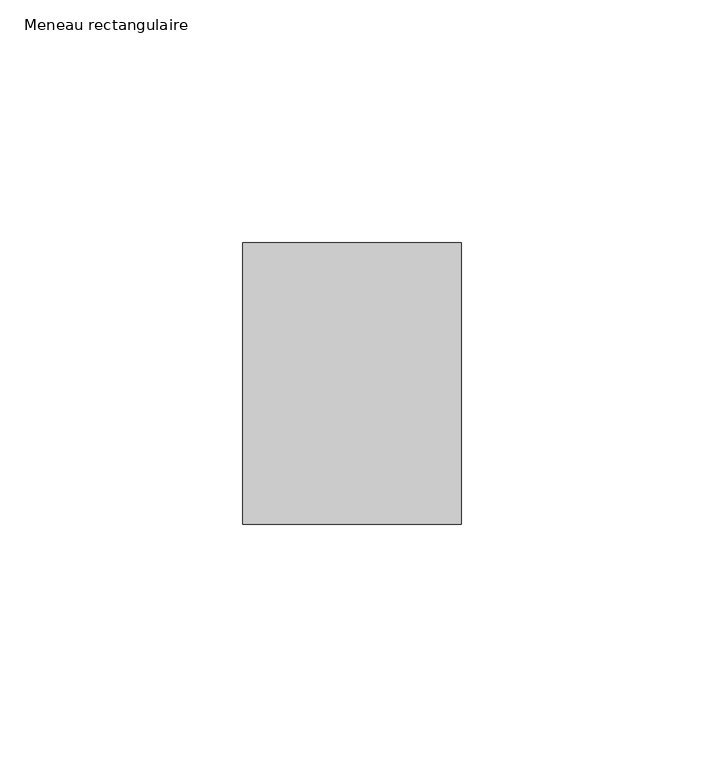
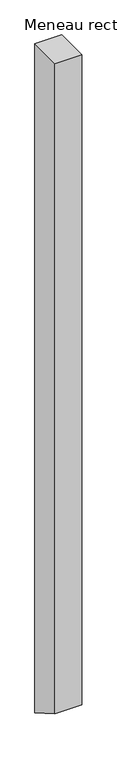
"""IFC4 building model written with IfcOpenShell, lengths in millimetres: member geometry, Meneau rectangulaire."""

from ifc_helpers import new_model, si_unit, frame, origin, place, context, project, spatial, polyline, outline, extrude, source, transform, mapped, element, save


def meneau_rectangulaire_765badf9(model_context):
    return source(origin(), model_context, "Body", "SweptSolid", [
        extrude(outline(polyline([(-29.0, 0.0), (29.0, 0.0), (29.0, -1186.618158), (-29.0, -1153.1318423), (-29.0, 0.0)])), frame((-45.0, 0.0, 0.0), z_axis=(1.0, 0.0, 0.0), x_axis=(0.0, 1.0, 0.0)), (0.0, 0.0, 1.0), 45.0),
    ])


if __name__ == "__main__":
    model = new_model("IFC4")
    model_context = context("Model", 3, world=origin())
    ifc_project = project(units=[si_unit("LENGTHUNIT", "METRE", prefix="MILLI")], contexts=[model_context])
    site = spatial("IfcSite", under=ifc_project)
    building = spatial("IfcBuilding", under=site)
    placement = place(None, origin())
    meneau_rectangulaire_shape = meneau_rectangulaire_765badf9(model_context)
    element("IfcMember", 1, ObjectType="Meneau rectangulaire", at=placement, inside=building, context=model_context, shape_type="MappedRepresentation", body=[
        mapped(meneau_rectangulaire_shape, transform((0.0, 0.0, 0.0), x_axis=(1.0, 0.0, 0.0), y_axis=(0.0, 1.0, 0.0), z_axis=(0.0, 0.0, 1.0))),
    ])
    save(model, "model.ifc")
